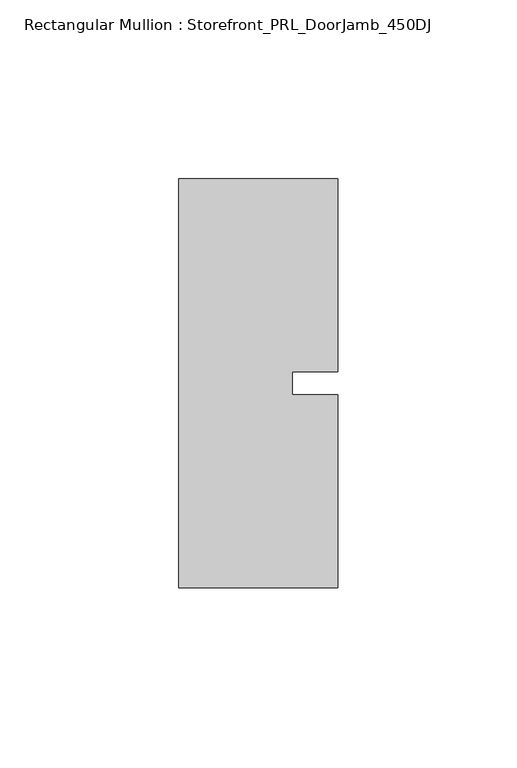
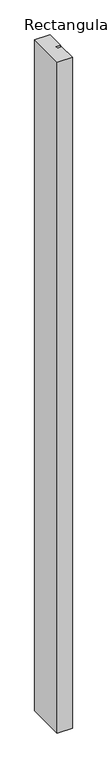
"""IFC4 building model written with IfcOpenShell, lengths in millimetres: member geometry, Rectangular Mullion : Storefront_PRL_DoorJamb_450DJ."""

from ifc_helpers import new_model, si_unit, frame, origin, place, context, project, spatial, polyline, outline, extrude, source, transform, mapped, element, save


def rectangular_mullion_storefront_prl_doorjamb_450dj_7a6816fe(model_context):
    return source(origin(), model_context, "Body", "SweptSolid", [
        extrude(outline(polyline([(9.525, -3.175), (22.225, -3.175), (22.225, -57.15), (-22.225, -57.15), (-22.225, 57.15), (22.225, 57.15), (22.225, 3.175), (9.525, 3.175), (9.525, -3.175)])), frame((0.0, 0.0, -2082.8), z_axis=(0.0, 0.0, 1.0), x_axis=(1.0, 0.0, 0.0)), (0.0, 0.0, 1.0), 2082.8),
    ])


if __name__ == "__main__":
    model = new_model("IFC4")
    model_context = context("Model", 3, world=origin())
    ifc_project = project(units=[si_unit("LENGTHUNIT", "METRE", prefix="MILLI")], contexts=[model_context])
    site = spatial("IfcSite", under=ifc_project)
    building = spatial("IfcBuilding", under=site)
    placement = place(None, origin())
    rectangular_mullion_storefront_prl_doorjamb_450dj_shape = rectangular_mullion_storefront_prl_doorjamb_450dj_7a6816fe(model_context)
    element("IfcMember", 1, ObjectType="Rectangular Mullion : Storefront_PRL_DoorJamb_450DJ", at=placement, inside=building, context=model_context, shape_type="MappedRepresentation", body=[
        mapped(rectangular_mullion_storefront_prl_doorjamb_450dj_shape, transform((0.0, 0.0, 0.0), x_axis=(1.0, 0.0, 0.0), y_axis=(0.0, 1.0, 0.0), z_axis=(0.0, 0.0, 1.0))),
    ])
    save(model, "model.ifc")
